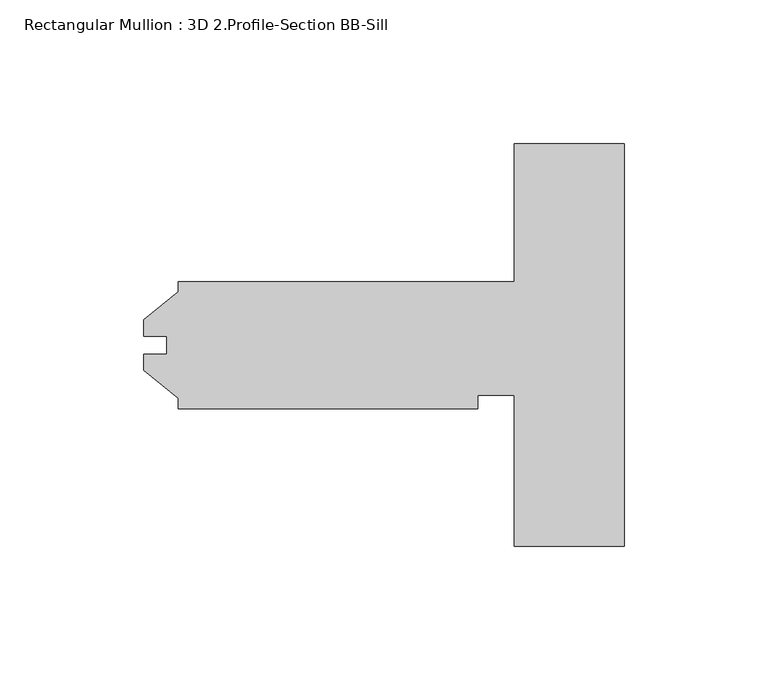
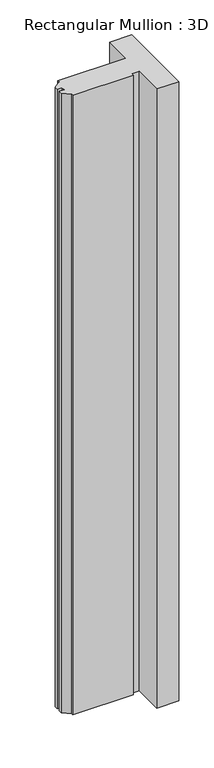
"""IFC4 building model written with IfcOpenShell, lengths in millimetres: member geometry, Rectangular Mullion : 3D 2.Profile-Section BB-Sill."""

from ifc_helpers import new_model, si_unit, frame, origin, place, context, project, spatial, polyline, outline, extrude, source, transform, mapped, element, save


def rectangular_mullion_3d_2_profile_section_bb_sill_bf3d3466(model_context):
    return source(origin(), model_context, "Body", "SweptSolid", [
        extrude(outline(polyline([(0.0, 69.85), (0.0, -69.85), (-38.1, -69.85), (-38.1, -17.4625), (-50.8, -17.4625), (-50.8, -22.098), (-154.7622, -22.098), (-154.7622, -18.518836), (-166.66845, -8.7503), (-166.66845, -3.175), (-158.7246, -3.175), (-158.7246, 3.175), (-166.66845, 3.175), (-166.66845, 8.7503), (-154.7622, 18.518836), (-154.7622, 22.098), (-38.1, 22.098), (-38.1, 69.85), (0.0, 69.85)])), frame((0.0, 0.0, -1126.0440239), z_axis=(0.0, 0.0, 1.0), x_axis=(1.0, 0.0, 0.0)), (0.0, 0.0, 1.0), 1126.0440239),
    ])


if __name__ == "__main__":
    model = new_model("IFC4")
    model_context = context("Model", 3, world=origin())
    ifc_project = project(units=[si_unit("LENGTHUNIT", "METRE", prefix="MILLI")], contexts=[model_context])
    site = spatial("IfcSite", under=ifc_project)
    building = spatial("IfcBuilding", under=site)
    placement = place(None, origin())
    rectangular_mullion_3d_2_profile_section_bb_sill_shape = rectangular_mullion_3d_2_profile_section_bb_sill_bf3d3466(model_context)
    element("IfcMember", 1, ObjectType="Rectangular Mullion : 3D 2.Profile-Section BB-Sill", at=placement, inside=building, context=model_context, shape_type="MappedRepresentation", body=[
        mapped(rectangular_mullion_3d_2_profile_section_bb_sill_shape, transform((0.0, 0.0, 0.0), x_axis=(1.0, 0.0, 0.0), y_axis=(0.0, 1.0, 0.0), z_axis=(0.0, 0.0, 1.0))),
    ])
    save(model, "model.ifc")
